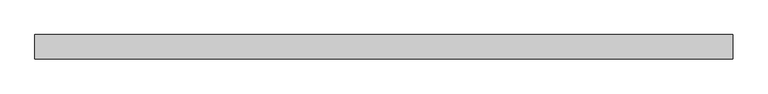
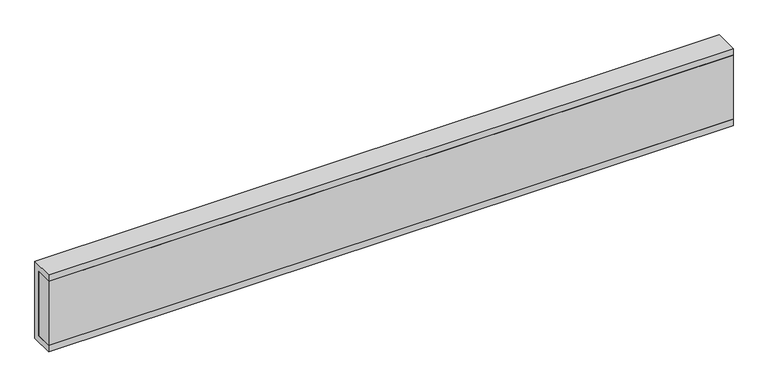
"""IFC4 building model written with IfcOpenShell, lengths in millimetres: beam geometry."""

from ifc_helpers import new_model, si_unit, frame, origin, place, context, project, spatial, polyline, outline, extrude, source, transform, mapped, element, save


def beam_db20045f(model_context):
    return source(origin(), model_context, "Body", "SweptSolid", [
        extrude(outline(polyline([(1000.0, 15.0), (1000.0, -35.0), (-1000.0, -35.0), (-1000.0, 15.0), (1000.0, 15.0)])), frame((0.0, 0.0, 2026.0), z_axis=(0.0, 0.0, 1.0), x_axis=(1.0, 0.0, 0.0)), (0.0, 0.0, 1.0), 198.0),
        extrude(outline(polyline([(-35.0, 2006.0), (-35.0, 2026.0), (15.0, 2026.0), (15.0, 2224.0), (-35.0, 2224.0), (-35.0, 2244.0), (35.0, 2244.0), (35.0, 2006.0), (-35.0, 2006.0)])), frame((-1000.0, 0.0, 0.0), z_axis=(1.0, 0.0, 0.0), x_axis=(0.0, 1.0, 0.0)), (0.0, 0.0, 1.0), 2000.0),
    ])


if __name__ == "__main__":
    model = new_model("IFC4")
    model_context = context("Model", 3, world=origin())
    ifc_project = project(units=[si_unit("LENGTHUNIT", "METRE", prefix="MILLI")], contexts=[model_context])
    site = spatial("IfcSite", under=ifc_project)
    building = spatial("IfcBuilding", under=site)
    placement = place(None, origin())
    beam_shape = beam_db20045f(model_context)
    element("IfcBeam", 1, at=placement, inside=building, context=model_context, shape_type="MappedRepresentation", body=[
        mapped(beam_shape, transform((0.0, 0.0, 0.0), x_axis=(1.0, 0.0, 0.0), y_axis=(0.0, 1.0, 0.0), z_axis=(0.0, 0.0, 1.0))),
    ])
    save(model, "model.ifc")
